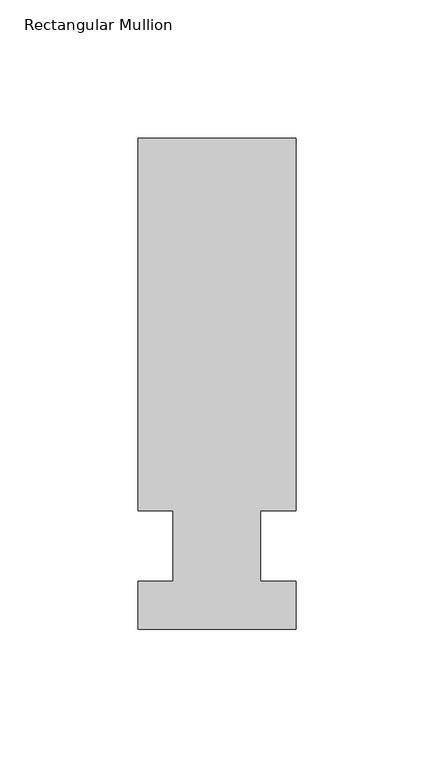
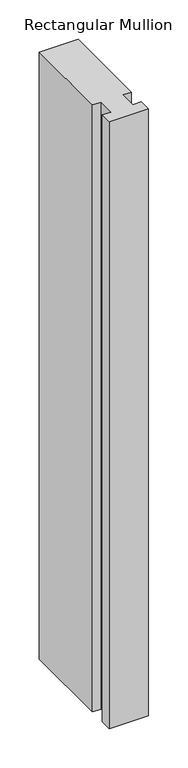
"""IFC4 building model written with IfcOpenShell, lengths in millimetres: member geometry, Rectangular Mullion."""

from ifc_helpers import new_model, si_unit, frame, origin, place, context, project, spatial, polyline, outline, extrude, source, transform, mapped, element, save


def rectangular_mullion_2cb12b06(model_context):
    return source(origin(), model_context, "Body", "SweptSolid", [
        extrude(outline(polyline([(28.575, 147.6375), (28.575, 12.7), (15.8732296, 12.7), (15.8732296, -12.7), (28.575, -12.7), (28.575, -30.1625), (-28.575, -30.1625), (-28.575, -12.7), (-15.875, -12.7), (-15.875, 12.7), (-28.575, 12.7), (-28.575, 147.6375), (28.575, 147.6375)])), frame((0.0, 0.0, -941.8155973), z_axis=(0.0, 0.0, 1.0), x_axis=(1.0, 0.0, 0.0)), (0.0, 0.0, 1.0), 941.8155973),
    ])


if __name__ == "__main__":
    model = new_model("IFC4")
    model_context = context("Model", 3, world=origin())
    ifc_project = project(units=[si_unit("LENGTHUNIT", "METRE", prefix="MILLI")], contexts=[model_context])
    site = spatial("IfcSite", under=ifc_project)
    building = spatial("IfcBuilding", under=site)
    placement = place(None, origin())
    rectangular_mullion_shape = rectangular_mullion_2cb12b06(model_context)
    element("IfcMember", 1, ObjectType="Rectangular Mullion", at=placement, inside=building, context=model_context, shape_type="MappedRepresentation", body=[
        mapped(rectangular_mullion_shape, transform((0.0, 0.0, 0.0), x_axis=(1.0, 0.0, 0.0), y_axis=(0.0, 1.0, 0.0), z_axis=(0.0, 0.0, 1.0))),
    ])
    save(model, "model.ifc")
